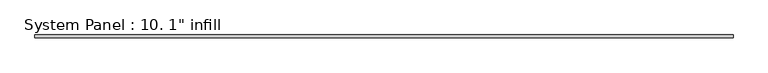
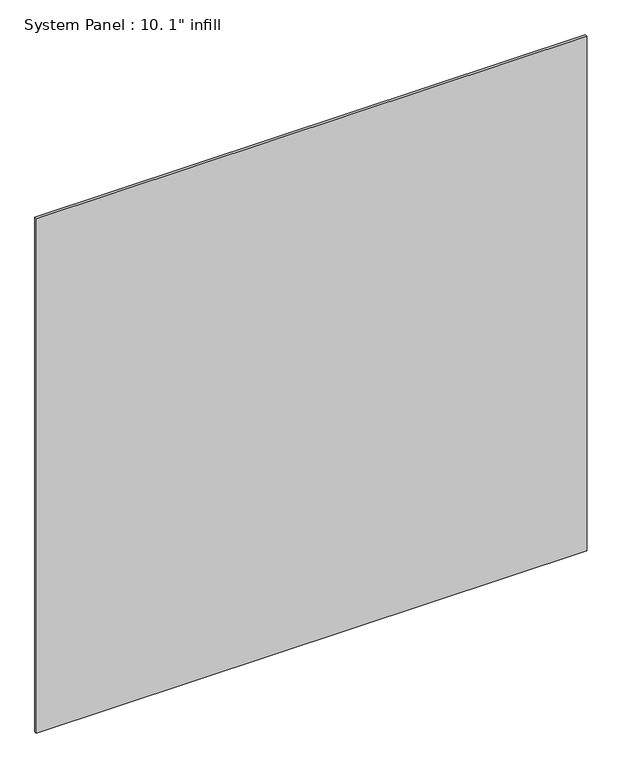
"""IFC4 building model written with IfcOpenShell, lengths in millimetres: plate geometry."""

from ifc_helpers import new_model, si_unit, origin, origin_with_axes, place, context, project, spatial, polyline, outline, extrude, source, transform, mapped, element, save


def plate_66413351(model_context):
    return source(origin(), model_context, "Body", "SweptSolid", [
        extrude(outline(polyline([(3016.25, -12.7), (-3016.25, -12.7), (-3016.25, 12.7), (3016.25, 12.7), (3016.25, -12.7)])), origin_with_axes(), (0.0, 0.0, 1.0), 5953.436686),
    ])


if __name__ == "__main__":
    model = new_model("IFC4")
    model_context = context("Model", 3, world=origin())
    ifc_project = project(units=[si_unit("LENGTHUNIT", "METRE", prefix="MILLI")], contexts=[model_context])
    site = spatial("IfcSite", under=ifc_project)
    building = spatial("IfcBuilding", under=site)
    placement = place(None, origin())
    plate_shape = plate_66413351(model_context)
    element("IfcPlate", 1, ObjectType="System Panel : 10. 1\" infill", at=placement, inside=building, context=model_context, shape_type="MappedRepresentation", body=[
        mapped(plate_shape, transform((0.0, 0.0, 0.0), x_axis=(1.0, 0.0, 0.0), y_axis=(0.0, 1.0, 0.0), z_axis=(0.0, 0.0, 1.0))),
    ])
    save(model, "model.ifc")
